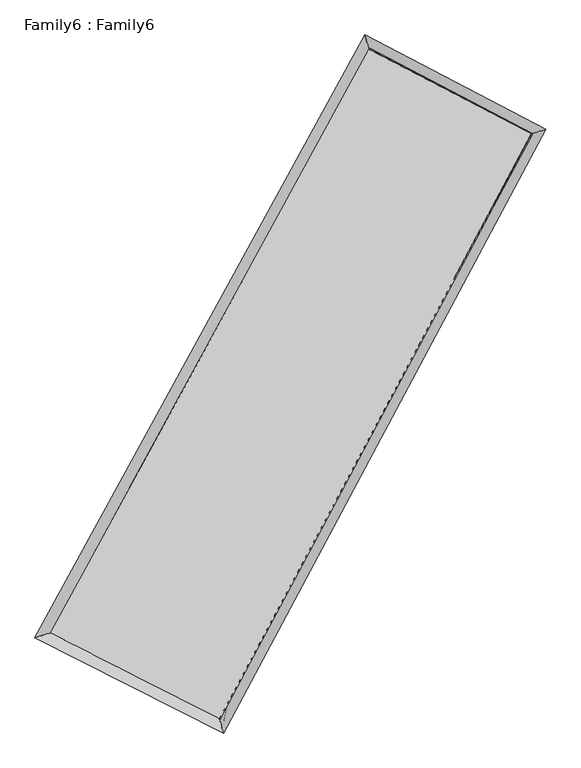
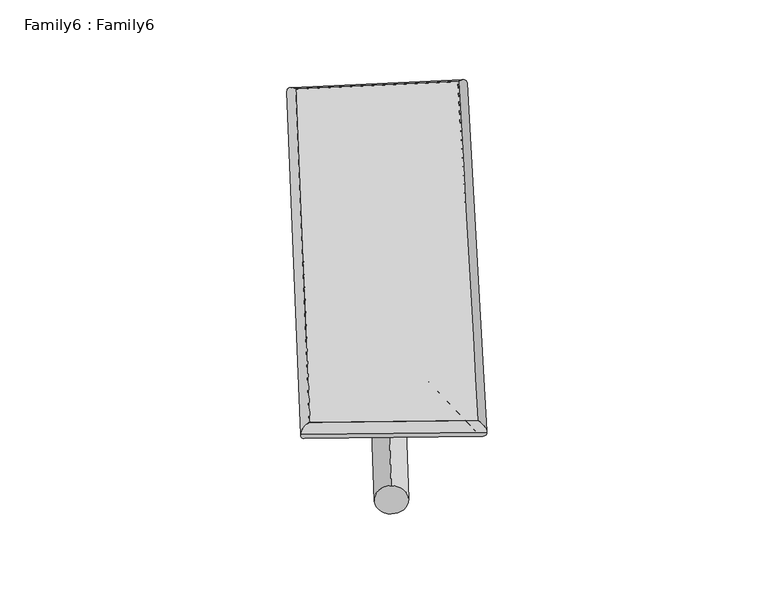
"""IFC4 building model written with IfcOpenShell, lengths in millimetres: plate geometry, Family6 : Family6."""

from ifc_helpers import new_model, si_unit, point, frame, origin, origin_2d, place, context, project, spatial, circle_curve, ellipse_curve, trimmed, segment, composite_curve, outline, extrude, source, transform, mapped, element, save
from ifc_brep_helpers import plane_surface, cylinder_surface, spline_surface, advanced_brep


def family6_family6_21e1c2d0(model_context):
    return source(origin(), model_context, "Body", "SolidModel", [
        extrude(outline(composite_curve([segment(trimmed(circle_curve(origin_2d(), 76.2), [point((-75.4341514, -10.7763074))], [point((75.4341514, 10.7763074))], False, "CARTESIAN"), True, "CONTINUOUS"), segment(trimmed(circle_curve(origin_2d(), 76.2), [point((75.4341514, 10.7763074))], [point((-75.4341514, -10.7763074))], False, "CARTESIAN"), True, "CONTINUOUS")], self_intersect=False)), frame((9144.0, 9144.0, 0.0), z_axis=(0.6658647563555493, 0.6927426171885495, 0.27700504070201337), x_axis=(-0.6847848346347627, 0.7148497123719482, -0.14163198429727591)), (0.0, 0.0, 1.0), 5631.8069569),
        extrude(outline(composite_curve([segment(trimmed(circle_curve(origin_2d(), 76.2), [point((-53.8815367, 53.8815367))], [point((53.8815367, -53.8815367))], False, "CARTESIAN"), True, "CONTINUOUS"), segment(trimmed(circle_curve(origin_2d(), 76.2), [point((53.8815367, -53.8815367))], [point((-53.8815367, 53.8815367))], False, "CARTESIAN"), True, "CONTINUOUS")], self_intersect=False)), frame((9144.0, 9144.0, 0.0), z_axis=(-0.6724154828476636, -0.6870887478217058, 0.2752570998967039), x_axis=(0.6427125853080456, -0.35754989640983265, 0.6775533958766394)), (0.0, 0.0, 1.0), 5664.4342593),
        extrude(outline(composite_curve([segment(trimmed(circle_curve(origin_2d(), 76.2), [point((-53.8815367, -53.8815368))], [point((53.8815367, 53.8815368))], False, "CARTESIAN"), True, "CONTINUOUS"), segment(trimmed(circle_curve(origin_2d(), 76.2), [point((53.8815367, 53.8815368))], [point((-53.8815367, -53.8815368))], False, "CARTESIAN"), True, "CONTINUOUS")], self_intersect=False)), frame((9144.0, 9144.0, 0.0), z_axis=(0.21384716427049152, 0.9397567718495469, 0.2666957069328046), x_axis=(-0.8490839262601872, 0.3138105282942205, -0.4249463948526768)), (0.0, 0.0, 1.0), 5570.555131),
        extrude(outline(composite_curve([segment(trimmed(circle_curve(origin_2d(), 76.2), [point((-75.4341514, 10.7763073))], [point((75.4341514, -10.7763073))], False, "CARTESIAN"), True, "CONTINUOUS"), segment(trimmed(circle_curve(origin_2d(), 76.2), [point((75.4341514, -10.7763073))], [point((-75.4341514, 10.7763073))], False, "CARTESIAN"), True, "CONTINUOUS")], self_intersect=False)), frame((9144.0, 9144.0, 0.0), z_axis=(-0.2043857607793935, -0.9417587235506905, 0.26705236828532875), x_axis=(0.8980918526122471, -0.0718700403517842, 0.4338959801281117)), (0.0, 0.0, 1.0), 5567.0626116),
        advanced_brep(
        [(5126.0350461, 5187.2812484, 1554.344127), (5125.8947028, 5187.0967183, 1565.2715441), (5544.2583589, 5316.780667, 1564.0073665), (10397.0975891, 14174.9128019, 1492.640419), (10273.3972473, 14583.0210127, 1478.6458584), (5544.3987022, 5316.965197, 1553.0799494), (12687.0366643, 12981.449334, 1559.2198718), (13101.00687, 13109.3360476, 1560.8579589), (7941.9933793, 4104.3907929, 1488.021012), (8070.3499664, 3697.949649, 1485.3734977)],
        [
            (0, 1, ellipse_curve(frame((5335.1467025, 5252.0309577, 1559.1757468), z_axis=(-0.2960239947233001, 0.9551009607037632, 0.012326776172564327), x_axis=(-0.9548680141765578, -0.2962325858426832, 0.021756162057548593)), 219.1846192, 152.4)),
            (1, 2, ellipse_curve(frame((5335.1467025, 5252.0309577, 1559.1757468), z_axis=(-0.2960239947233001, 0.9551009607037632, 0.012326776172564327), x_axis=(-0.9548680141765578, -0.2962325858426832, 0.021756162057548593)), 219.1846192, 152.4)),
            (2, 3),
            (3, 4, ellipse_curve(frame((10335.2474182, 14378.9669073, 1485.6431387), z_axis=(-0.9567972947761434, -0.2904607495940097, -0.013095405848610875), x_axis=(0.29011162505540783, -0.9567051225301895, 0.02346387717760105)), 213.3454798, 152.4)),
            (4, 0),
            (2, 5, ellipse_curve(frame((5335.1467025, 5252.0309577, 1559.1757468), z_axis=(-0.2960239947233001, 0.9551009607037632, 0.012326776172564327), x_axis=(-0.9548680141765578, -0.2962325858426832, 0.021756162057548593)), 219.1846192, 152.4)),
            (5, 0, ellipse_curve(frame((5335.1467025, 5252.0309577, 1559.1757468), z_axis=(-0.2960239947233001, 0.9551009607037632, 0.012326776172564327), x_axis=(-0.9548680141765578, -0.2962325858426832, 0.021756162057548593)), 219.1846192, 152.4)),
            (4, 3, ellipse_curve(frame((10335.2474182, 14378.9669073, 1485.6431387), z_axis=(-0.9567972947761434, -0.2904607495940097, -0.013095405848610875), x_axis=(0.29011162505540783, -0.9567051225301895, 0.02346387717760105)), 213.3454798, 152.4)),
            (3, 6),
            (6, 7, ellipse_curve(frame((12894.0217672, 13045.3926908, 1560.0389153), z_axis=(-0.2950895026269352, 0.955377118066578, -0.013294649833217419), x_axis=(-0.95511579919269, -0.29533030287859, -0.02310459552014091)), 216.6798621, 152.4)),
            (7, 4),
            (7, 6, ellipse_curve(frame((12894.0217672, 13045.3926908, 1560.0389153), z_axis=(-0.2950895026269352, 0.955377118066578, -0.013294649833217419), x_axis=(-0.95511579919269, -0.29533030287859, -0.02310459552014091)), 216.6798621, 152.4)),
            (6, 8),
            (8, 9, ellipse_curve(frame((8006.1716728, 3901.170221, 1486.6972548), z_axis=(0.95348724934676, 0.30119512467033516, -0.011981744779905127), x_axis=(-0.30088573043615957, 0.9533977613408706, 0.022371541969991183)), 213.1444337, 152.4)),
            (9, 7),
            (9, 8, ellipse_curve(frame((8006.1716728, 3901.170221, 1486.6972548), z_axis=(0.95348724934676, 0.30119512467033516, -0.011981744779905127), x_axis=(-0.30088573043615957, 0.9533977613408706, 0.022371541969991183)), 213.1444337, 152.4)),
            (8, 5),
            (1, 9),
        ],
        [
            cylinder_surface(frame((5335.1467025, 5252.0309577, 1559.1757468), z_axis=(-0.48045170525190173, -0.8769927227623877, 0.00706563106552718), x_axis=(-0.8764799861204717, 0.47985665761280527, -0.03899259000021473)), 152.4),
            cylinder_surface(frame((10335.2474182, 14378.9669073, 1485.6431387), z_axis=(-0.8864946003063982, 0.4620205539080428, -0.025774626944046378), x_axis=(0.4625478369815868, 0.88635344366032, -0.020665706258130155)), 152.4),
            cylinder_surface(frame((12894.0217672, 13045.3926908, 1560.0389153), z_axis=(0.4713970478749389, 0.8818927328340632, 0.007073261571592994), x_axis=(0.8819193183181279, -0.4713970478749389, -0.0017717878205920769)), 152.4),
            cylinder_surface(frame((8006.1716728, 3901.170221, 1486.6972548), z_axis=(0.892105195935026, -0.45117881548070204, -0.024207351097542764), x_axis=(-0.4509367875927241, -0.8924302198051061, 0.014977195136760681)), 152.4),
        ],
        [
            (0, [[1, 2, 3, 4, 5]]),
            (0, [[6, 7, -5, 8, -3]]),
            (1, [[-4, 9, 10, 11]]),
            (1, [[-8, -11, 12, -9]]),
            (2, [[-10, 13, 14, 15]]),
            (2, [[-12, -15, 16, -13]]),
            (3, [[-14, 17, -6, -2, 18]]),
            (3, [[-16, -18, -1, -7, -17]]),
        ],
    ),
        extrude(outline(composite_curve([segment(trimmed(circle_curve(origin_2d(), 304.8), [point((1e-07, -304.8))], [point((1e-07, 304.8))], False, "CARTESIAN"), True, "CONTINUOUS"), segment(trimmed(circle_curve(origin_2d(), 304.8), [point((1e-07, 304.8))], [point((1e-07, -304.8))], False, "CARTESIAN"), True, "CONTINUOUS")], self_intersect=False)), frame((6629.0480909, 4575.8979393, -0.0664126), z_axis=(0.4822861613283598, 0.8760137318723693, 1.2735783107040525e-05), x_axis=(-0.8760137319588293, 0.4822861613283597, 3.2741188626987206e-06)), (0.0, 0.0, 1.0), 10429.2932735),
        advanced_brep(
        [(5335.1467025, 5252.0309577, 1559.1757468), (8006.1716728, 3901.170221, 1486.6972548), (8006.1903961, 3901.1637973, 1639.0972535), (5335.1654258, 5252.024534, 1711.5757455), (12894.0217672, 13045.3926908, 1560.0389153), (12894.0404905, 13045.3862671, 1712.438914), (10335.2474182, 14378.9669073, 1485.6431387), (10335.2661415, 14378.9604836, 1638.0431374)],
        [
            (0, 1),
            (1, 2),
            (2, 3),
            (3, 0),
            (1, 4),
            (4, 5),
            (5, 2),
            (4, 6),
            (6, 7),
            (7, 5),
            (6, 0),
            (3, 7),
        ],
        [
            plane_surface(frame((6670.6591877, 4576.6005893, 1522.9365008), z_axis=(-0.45131068265249996, -0.8923668905812878, 1.7833069894867756e-05), x_axis=(0.8921051959350258, -0.45117881548070216, -0.02420735109754277))),
            plane_surface(frame((10450.09672, 8473.2814559, 1523.3680851), z_axis=(0.8819152149558784, -0.4714080368314387, -0.00012821878080496608), x_axis=(0.4713970478749389, 0.8818927328340632, 0.00707326157159299))),
            plane_surface(frame((11614.6345927, 13712.1797991, 1522.841027), z_axis=(0.46217454133987024, 0.886788978822363, -1.940287347394591e-05), x_axis=(-0.8864946003063982, 0.46202055390804275, -0.025774626944046385))),
            plane_surface(frame((7835.1970603, 9815.4989325, 1522.4094427), z_axis=(-0.8770141729765548, 0.4804644877768421, 0.00012799838657306722), x_axis=(-0.48045170525190173, -0.8769927227623875, 0.007065631065527168))),
            spline_surface(1, 1, [[(8006.1903961, 3901.1637973, 1639.0972535), (5335.1654258, 5252.024534, 1711.5757455)], [(12894.0404905, 13045.3862671, 1712.438914), (10335.2661415, 14378.9604836, 1638.0431374)]], [2, 2], [2, 2], [0.0, 1.0], [0.0, 1.0]),
            spline_surface(1, 1, [[(10335.2474182, 14378.9669073, 1485.6431387), (5335.1467025, 5252.0309577, 1559.1757468)], [(12894.0217672, 13045.3926908, 1560.0389153), (8006.1716728, 3901.170221, 1486.6972548)]], [2, 2], [2, 2], [0.0, 1.0], [0.0, 1.0]),
        ],
        [
            (0, [[1, 2, 3, 4]]),
            (1, [[5, 6, 7, -2]]),
            (2, [[8, 9, 10, -6]]),
            (3, [[11, -4, 12, -9]]),
            (4, [[-3, -7, -10, -12]]),
            (5, [[-11, -8, -5, -1]]),
        ],
    ),
    ])


if __name__ == "__main__":
    model = new_model("IFC4")
    model_context = context("Model", 3, world=origin())
    ifc_project = project(units=[si_unit("LENGTHUNIT", "METRE", prefix="MILLI")], contexts=[model_context])
    site = spatial("IfcSite", under=ifc_project)
    building = spatial("IfcBuilding", under=site)
    placement = place(None, origin())
    family6_family6_shape = family6_family6_21e1c2d0(model_context)
    element("IfcPlate", 1, ObjectType="Family6 : Family6", at=placement, inside=building, context=model_context, shape_type="MappedRepresentation", body=[
        mapped(family6_family6_shape, transform((0.0, 0.0, 0.0), x_axis=(1.0, 0.0, 0.0), y_axis=(0.0, 1.0, 0.0), z_axis=(0.0, 0.0, 1.0))),
    ])
    save(model, "model.ifc")
